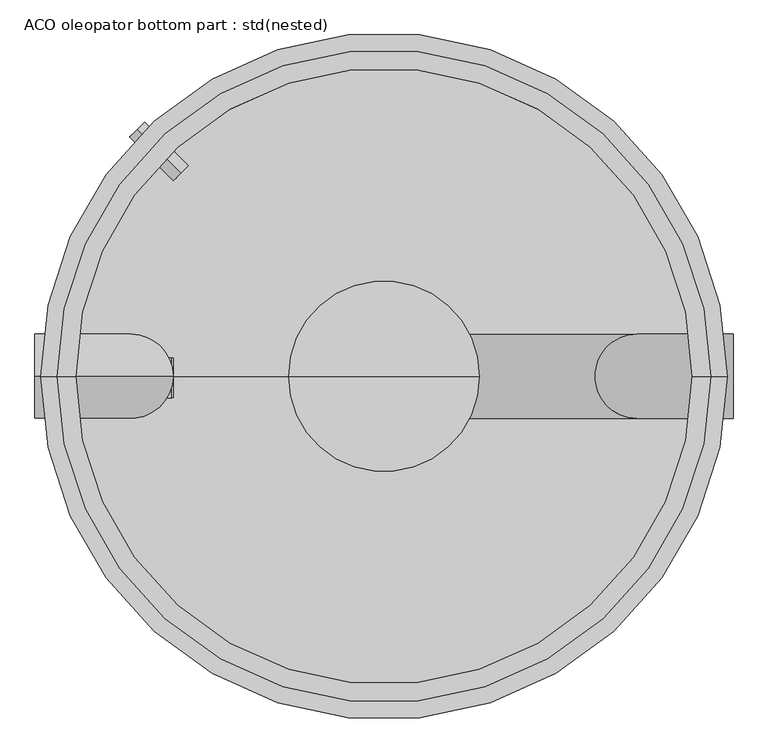
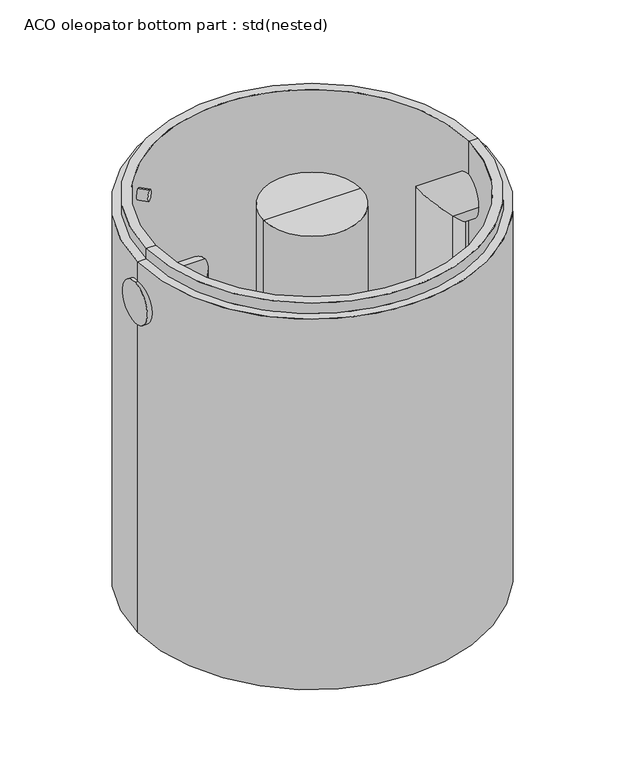
"""IFC4 building model written with IfcOpenShell, lengths in millimetres: unitary equipment geometry, ACO oleopator bottom part : std(nested)."""

import ifcopenshell
import ifcopenshell.guid

model = None  # the IFC model being written
_history = None  # IfcOwnerHistory: only IFC2X3 demands one
_inside = {}  # id of a spatial element -> (the spatial element, [elements in it])
_under = {}  # id of a project, library or spatial element -> (it, [spatial elements below it])
_declared = {}  # id of a project -> (the project, [libraries it declares])
_typed = {}  # id of a type object -> (the type object, [elements of that type])
_made_of = {}  # id of a material, layer set ... -> (it, [elements and type objects made of it])


def new_model(schema):
    """Start an empty IFC model of exactly this schema.

    Asked for "IFC4X3", IfcOpenShell would pick the latest addendum, in which some entities
    have other attributes; the version numbers below select the first issue.
    IFC2X3 requires an IfcOwnerHistory on every rooted entity: one is made here for all.
    """
    global model, _history
    if schema == "IFC4X3":
        model = ifcopenshell.file(schema_version=(4, 3, 0, 0))
    else:
        model = ifcopenshell.file(schema=schema)
    _inside.clear()
    _under.clear()
    _declared.clear()
    _typed.clear()
    _made_of.clear()
    _history = None
    if model.schema == "IFC2X3":
        org = make("IfcOrganization", Name="unknown")
        user = make(
            "IfcPersonAndOrganization",
            ThePerson=make("IfcPerson", FamilyName="unknown"),
            TheOrganization=org,
        )
        app = make(
            "IfcApplication",
            ApplicationDeveloper=org,
            Version="unknown",
            ApplicationFullName="unknown",
            ApplicationIdentifier="unknown",
        )
        _history = make(
            "IfcOwnerHistory",
            OwningUser=user,
            OwningApplication=app,
            ChangeAction="ADDED",
            CreationDate=0,
        )
    return model


def make(cls, **values):
    """One entity of the class cls with the attributes given. An attribute that is None is left unset."""
    return model.create_entity(
        cls, **{name: value for name, value in values.items() if value is not None}
    )


def rooted(cls, **values):
    """An entity with a GlobalId (a new one), such as an element, a storey or a relation."""
    return make(cls, GlobalId=ifcopenshell.guid.new(), OwnerHistory=_history, **values)


def si_unit(unit_type, name, prefix=None):
    """IfcSIUnit, for example si_unit("LENGTHUNIT", "METRE", prefix="MILLI")."""
    return make("IfcSIUnit", UnitType=unit_type, Prefix=prefix, Name=name)


def assignment(units):
    """IfcUnitAssignment: the units of a project."""
    return None if units is None else make("IfcUnitAssignment", Units=units)


def point(xyz):
    """IfcCartesianPoint."""
    return None if xyz is None else make("IfcCartesianPoint", Coordinates=xyz)


def direction(xyz):
    """IfcDirection."""
    return None if xyz is None else make("IfcDirection", DirectionRatios=xyz)


def frame(location, z_axis=None, x_axis=None):
    """IfcAxis2Placement3D, a coordinate frame: its origin and axes. An axis left out is left unset."""
    return make(
        "IfcAxis2Placement3D",
        Location=point(location),
        Axis=direction(z_axis),
        RefDirection=direction(x_axis),
    )


def frame_2d(location, x_axis=None):
    """IfcAxis2Placement2D, a coordinate frame in the plane: its origin and x axis."""
    return make(
        "IfcAxis2Placement2D", Location=point(location), RefDirection=direction(x_axis)
    )


def origin():
    """The frame at (0, 0, 0) with its axes left unset."""
    return frame((0.0, 0.0, 0.0))


def origin_with_axes():
    """The frame at (0, 0, 0) with the z axis (0, 0, 1) and the x axis (1, 0, 0) written out."""
    return frame((0.0, 0.0, 0.0), z_axis=(0.0, 0.0, 1.0), x_axis=(1.0, 0.0, 0.0))


def place(relative_to, where):
    """IfcLocalPlacement: puts the frame where relative to a parent placement (None: the world)."""
    return make(
        "IfcLocalPlacement", PlacementRelTo=relative_to, RelativePlacement=where
    )


def context(
    kind, dimensions, precision=None, world=None, true_north=None, identifier=None
):
    """IfcGeometricRepresentationContext, for example the 3D "Model" context."""
    return make(
        "IfcGeometricRepresentationContext",
        ContextIdentifier=identifier,
        ContextType=kind,
        CoordinateSpaceDimension=dimensions,
        Precision=precision,
        WorldCoordinateSystem=world,
        TrueNorth=true_north,
    )


def project(units=None, contexts=None):
    """IfcProject with its units and contexts."""
    return rooted(
        "IfcProject",
        Name="project",
        RepresentationContexts=contexts,
        UnitsInContext=assignment(units),
    )


def spatial(cls, under=None, at=None, **own):
    """A site, building, storey or space (cls), placed at a placement, below another one or the project."""
    s = rooted(cls, ObjectPlacement=at, **own)
    if under is not None:
        _under.setdefault(under.id(), (under, []))[1].append(s)
    return s


def polyline(points):
    """IfcPolyline through the points."""
    return make("IfcPolyline", Points=[point(p) for p in points])


def circle_curve(where, radius):
    """IfcCircle in the frame where."""
    return make("IfcCircle", Position=where, Radius=radius)


def ellipse_curve(where, semi_axis1, semi_axis2):
    """IfcEllipse in the frame where."""
    return make(
        "IfcEllipse", Position=where, SemiAxis1=semi_axis1, SemiAxis2=semi_axis2
    )


def trimmed(basis, trim1, trim2, sense, master):
    """IfcTrimmedCurve: the piece of a basis curve between two trims."""
    return make(
        "IfcTrimmedCurve",
        BasisCurve=basis,
        Trim1=trim1,
        Trim2=trim2,
        SenseAgreement=sense,
        MasterRepresentation=master,
    )


def segment(curve, same_sense, transition):
    """IfcCompositeCurveSegment."""
    return make(
        "IfcCompositeCurveSegment",
        Transition=transition,
        SameSense=same_sense,
        ParentCurve=curve,
    )


def composite_curve(segments, self_intersect=None):
    """IfcCompositeCurve: segments joined end to end."""
    return make("IfcCompositeCurve", Segments=segments, SelfIntersect=self_intersect)


def outline(outer, holes=None, kind="AREA"):
    """IfcArbitraryClosedProfileDef: a profile drawn as a closed curve; with holes, ...WithVoids."""
    if holes is None:
        return make("IfcArbitraryClosedProfileDef", ProfileType=kind, OuterCurve=outer)
    return make(
        "IfcArbitraryProfileDefWithVoids",
        ProfileType=kind,
        OuterCurve=outer,
        InnerCurves=holes,
    )


def extrude(swept, where, along, depth):
    """IfcExtrudedAreaSolid: the profile swept, set in the frame where, extruded along a direction by depth."""
    return make(
        "IfcExtrudedAreaSolid",
        SweptArea=swept,
        Position=where,
        ExtrudedDirection=direction(along),
        Depth=depth,
    )


def shape(context_of_items, identifier, shape_type, items):
    """IfcShapeRepresentation: the items that make up one representation, for example the "Body"."""
    return make(
        "IfcShapeRepresentation",
        ContextOfItems=context_of_items,
        RepresentationIdentifier=identifier,
        RepresentationType=shape_type,
        Items=items,
    )


def source(mapping_origin, context_of_items, identifier, shape_type, items):
    """IfcRepresentationMap: a shape defined once, which mapped items show again and again."""
    return make(
        "IfcRepresentationMap",
        MappingOrigin=mapping_origin,
        MappedRepresentation=shape(context_of_items, identifier, shape_type, items),
    )


def transform(
    local_origin,
    x_axis=None,
    y_axis=None,
    z_axis=None,
    scale=None,
    scale2=None,
    scale3=None,
    uniform=True,
):
    """IfcCartesianTransformationOperator3D, or its non-uniform kind. x_axis, y_axis, z_axis: its Axis1, 2, 3."""
    if uniform:
        return make(
            "IfcCartesianTransformationOperator3D",
            Axis1=direction(x_axis),
            Axis2=direction(y_axis),
            LocalOrigin=point(local_origin),
            Scale=scale,
            Axis3=direction(z_axis),
        )
    return make(
        "IfcCartesianTransformationOperator3DnonUniform",
        Axis1=direction(x_axis),
        Axis2=direction(y_axis),
        LocalOrigin=point(local_origin),
        Scale=scale,
        Axis3=direction(z_axis),
        Scale2=scale2,
        Scale3=scale3,
    )


def mapped(mapping_source, mapping_target):
    """IfcMappedItem: shows the shape of a source again, moved by a transform."""
    return make(
        "IfcMappedItem", MappingSource=mapping_source, MappingTarget=mapping_target
    )


def made_of(thing, what):
    """Note that an element or type object is made of a material, layer set ...; save() writes the relation."""
    if what is not None:
        _made_of.setdefault(what.id(), (what, []))[1].append(thing)
    return thing


def element(
    cls,
    number,
    at=None,
    inside=None,
    cuts=None,
    type_object=None,
    material=None,
    context=None,
    identifier="Body",
    shape_type=None,
    held_by="IfcProductDefinitionShape",
    body=None,
    shapes=None,
    **own,
):
    """One element of the class cls, such as IfcWall. Its Tag is "e" and its number.

    at: its placement. inside: the storey or other place that contains it. cuts: it is an
    opening in that element (IfcRelVoidsElement). A single representation is given by context,
    identifier, shape_type and body (its items); several are given by shapes. held_by: the class
    of the entity that holds the representations. save() writes the other relations.
    """
    e = rooted(cls, Tag="e%d" % number, ObjectPlacement=at, **own)
    if body is not None:
        shapes = [shape(context, identifier, shape_type, body)]
    if shapes is not None:
        e.Representation = make(held_by, Representations=shapes)
    if inside is not None:
        _inside.setdefault(inside.id(), (inside, []))[1].append(e)
    if cuts is not None:
        rooted(
            "IfcRelVoidsElement", RelatingBuildingElement=cuts, RelatedOpeningElement=e
        )
    if type_object is not None:
        _typed.setdefault(type_object.id(), (type_object, []))[1].append(e)
    return made_of(e, material)


def aggregate(whole, parts):
    """IfcRelAggregates: a whole, such as a stair, and the parts it consists of."""
    return rooted("IfcRelAggregates", RelatingObject=whole, RelatedObjects=parts)


def save(model, path):
    """Write the relations noted so far, then the file.

    IfcRelAggregates (storeys below a building ...), IfcRelContainedInSpatialStructure (elements
    in a storey), IfcRelDefinesByType, IfcRelAssociatesMaterial and IfcRelDeclares: one each for
    every whole, place, type object, material and project.
    """
    for whole, parts in _under.values():
        aggregate(whole, parts)
    for where, things in _inside.values():
        rooted(
            "IfcRelContainedInSpatialStructure",
            RelatedElements=things,
            RelatingStructure=where,
        )
    for kind, things in _typed.values():
        rooted("IfcRelDefinesByType", RelatedObjects=things, RelatingType=kind)
    for what, things in _made_of.values():
        rooted("IfcRelAssociatesMaterial", RelatedObjects=things, RelatingMaterial=what)
    for by, libraries in _declared.values():
        rooted("IfcRelDeclares", RelatingContext=by, RelatedDefinitions=libraries)
    model.write(path)


def plane_surface(at):
    """IfcPlane: the flat surface through the origin of the frame at, square to its z axis."""
    return make("IfcPlane", Position=at)


def cylinder_surface(at, radius):
    """IfcCylindricalSurface: all points at the distance radius from the z axis of the frame at."""
    return make("IfcCylindricalSurface", Position=at, Radius=radius)


def revolved_surface(curve, axis_point, axis_direction):
    """IfcSurfaceOfRevolution: the curve turned about the line through axis_point along axis_direction."""
    return make(
        "IfcSurfaceOfRevolution",
        SweptCurve=make("IfcArbitraryOpenProfileDef", ProfileType="CURVE", Curve=curve),
        AxisPosition=make("IfcAxis1Placement", Location=point(axis_point), Axis=direction(axis_direction)),
    )


def advanced_brep(points, edges, surfaces, faces):
    """IfcAdvancedBrep: a solid bounded by faces that lie on surfaces and meet in shared edges.

    An edge is (start, end): straight between two places in points (the first is 0);
    or (start, end, curve); or (start, end, curve, False) where it runs against its curve.
    A face is (place in surfaces, loops), or (place, loops, False) where it looks against
    its surface's normal. A loop lists edges by number (the first is 1), with a minus sign
    where the edge is run from its end to its start. The first loop is the outer one.
    """
    corners = [point(p) for p in points]
    vertices = [make("IfcVertexPoint", VertexGeometry=c) for c in corners]
    made = []
    for start, end, *more in edges:
        made.append(
            make(
                "IfcEdgeCurve",
                EdgeStart=vertices[start],
                EdgeEnd=vertices[end],
                EdgeGeometry=more[0] if more else make("IfcPolyline", Points=[corners[start], corners[end]]),
                SameSense=more[1] if len(more) > 1 else True,
            )
        )
    hull = []
    for where, loops, *sense in faces:
        bounds = []
        for j, loop in enumerate(loops):
            ring = [make("IfcOrientedEdge", EdgeElement=made[abs(k) - 1], Orientation=k > 0) for k in loop]
            bounds.append(
                make(
                    "IfcFaceOuterBound" if j == 0 else "IfcFaceBound",
                    Bound=make("IfcEdgeLoop", EdgeList=ring),
                    Orientation=True,
                )
            )
        hull.append(make("IfcAdvancedFace", Bounds=bounds, FaceSurface=surfaces[where], SameSense=sense[0] if sense else True))
    return make("IfcAdvancedBrep", Outer=make("IfcClosedShell", CfsFaces=hull))


def aco_oleopator_bottom_part_std_nested_07a6a1ec(model_context):
    return source(origin(), model_context, "Body", "SolidModel", [
        extrude(outline(polyline([(-1465.0, -752.5), (-1345.0, -752.5), (-1345.0, -757.5), (-1460.0, -757.5), (-1460.0, -832.5), (-1465.0, -832.5), (-1465.0, -752.5)])), frame((0.0, -76.3967765, 0.0), z_axis=(0.0, 1.0, 0.0), x_axis=(0.0, 0.0, 1.0)), (0.0, 0.0, 1.0), 141.6888195),
        extrude(outline(composite_curve([segment(trimmed(circle_curve(frame_2d((0.0, -37.5)), 37.5), [point((0.0, -75.0))], [point((0.0, 0.0))], False, "CARTESIAN"), True, "CONTINUOUS"), segment(trimmed(circle_curve(frame_2d((0.0, -37.5)), 37.5), [point((0.0, 0.0))], [point((0.0, -75.0))], False, "CARTESIAN"), True, "CONTINUOUS")], self_intersect=False)), frame((-724.7844507, 724.7844507, -165.4626011), z_axis=(-0.7071067811865481, 0.707106781186547, 0.0), x_axis=(-0.707106781186547, -0.7071067811865481, 0.0)), (0.0, 0.0, 1.0), 220.0),
        advanced_brep(
        [(0.0, 150.0, -1345.0), (0.0, -150.0, -1345.0), (0.0, 150.0, -1542.5), (0.0, -150.0, -1542.5), (902.5, 150.0, -1542.5), (902.5, -150.0, -1542.5), (902.5, 150.0, -395.0), (902.5, -150.0, -395.0), (1245.0, 150.0, -395.0), (1245.0, -150.0, -395.0)],
        [
            (0, 1, circle_curve(frame((0.0, 0.0, -1345.0), z_axis=(0.0, 0.0, 1.0), x_axis=(0.0, -1.0, 0.0)), 150.0)),
            (1, 0, circle_curve(frame((0.0, 0.0, -1345.0), z_axis=(0.0, 0.0, 1.0), x_axis=(0.0, -1.0, 0.0)), 150.0)),
            (0, 2),
            (2, 3, ellipse_curve(frame((0.0, 0.0, -1542.5), z_axis=(-0.7071067811865475, 0.0, 0.7071067811865475), x_axis=(0.7071067811865474, 0.0, 0.7071067811865476)), 212.1320344, 150.0)),
            (3, 1),
            (3, 2, ellipse_curve(frame((0.0, 0.0, -1542.5), z_axis=(-0.7071067811865475, 0.0, 0.7071067811865475), x_axis=(0.7071067811865474, 0.0, 0.7071067811865476)), 212.1320344, 150.0)),
            (2, 4),
            (4, 5, ellipse_curve(frame((902.5, 0.0, -1542.5), z_axis=(-0.7071067811865475, 0.0, -0.7071067811865475), x_axis=(-0.7071067811865476, 0.0, 0.7071067811865474)), 212.1320344, 150.0)),
            (5, 3),
            (5, 4, ellipse_curve(frame((902.5, 0.0, -1542.5), z_axis=(-0.7071067811865475, 0.0, -0.7071067811865475), x_axis=(-0.7071067811865476, 0.0, 0.7071067811865474)), 212.1320344, 150.0)),
            (4, 6),
            (6, 7, ellipse_curve(frame((902.5, 0.0, -395.0), z_axis=(-0.7071067811865475, 0.0, -0.7071067811865475), x_axis=(0.7071067811865474, 0.0, -0.7071067811865476)), 212.1320344, 150.0)),
            (7, 5),
            (7, 6, ellipse_curve(frame((902.5, 0.0, -395.0), z_axis=(-0.7071067811865475, 0.0, -0.7071067811865475), x_axis=(0.7071067811865474, 0.0, -0.7071067811865476)), 212.1320344, 150.0)),
            (8, 9, circle_curve(frame((1245.0, 0.0, -395.0), z_axis=(1.0, 0.0, 0.0), x_axis=(0.0, -1.0, 0.0)), 150.0)),
            (9, 8, circle_curve(frame((1245.0, 0.0, -395.0), z_axis=(1.0, 0.0, 0.0), x_axis=(0.0, -1.0, 0.0)), 150.0)),
            (6, 8),
            (9, 7),
        ],
        [
            plane_surface(frame((0.0, 0.0, -1345.0), z_axis=(0.0, 0.0, 1.0), x_axis=(0.0, -1.0, 0.0))),
            cylinder_surface(frame((0.0, 0.0, -1345.0), z_axis=(0.0, 0.0, 1.0), x_axis=(0.0, -1.0, 0.0)), 150.0),
            cylinder_surface(frame((0.0, 0.0, -1542.5), z_axis=(-1.0, 0.0, 0.0), x_axis=(0.0, -1.0, 0.0)), 150.0),
            cylinder_surface(frame((902.5, 0.0, -1542.5), z_axis=(0.0, 0.0, -1.0), x_axis=(0.0, -1.0, 0.0)), 150.0),
            plane_surface(frame((1245.0, 0.0, -395.0), z_axis=(1.0, 0.0, 0.0), x_axis=(0.0, -1.0, 0.0))),
            cylinder_surface(frame((902.5, 0.0, -395.0), z_axis=(-1.0, 0.0, 0.0), x_axis=(0.0, -1.0, 0.0)), 150.0),
        ],
        [
            (0, [[1, 2]]),
            (1, [[-1, 3, 4, 5]]),
            (1, [[-2, -5, 6, -3]]),
            (2, [[-4, 7, 8, 9]]),
            (2, [[-6, -9, 10, -7]]),
            (3, [[-8, 11, 12, 13]]),
            (3, [[-10, -13, 14, -11]]),
            (4, [[15, 16]]),
            (5, [[-12, 17, -16, 18]]),
            (5, [[-14, -18, -15, -17]]),
        ],
    ),
        advanced_brep(
        [(-1245.0, 0.0, -525.0), (-1245.0, 0.0, -225.0), (-1052.5, 0.0, -525.0), (-752.5, 0.0, -225.0), (-1052.5, 0.0, -1345.0), (-752.5, 0.0, -1345.0)],
        [
            (0, 1, circle_curve(frame((-1245.0, 0.0, -375.0), z_axis=(-1.0, 0.0, 0.0), x_axis=(0.0, 0.0, 1.0)), 150.0)),
            (1, 0, circle_curve(frame((-1245.0, 0.0, -375.0), z_axis=(-1.0, 0.0, 0.0), x_axis=(0.0, 0.0, 1.0)), 150.0)),
            (0, 2),
            (2, 3, ellipse_curve(frame((-902.5, 0.0, -375.0), z_axis=(-0.7071067811865475, 0.0, 0.7071067811865475), x_axis=(-0.7071067811865476, 0.0, -0.7071067811865474)), 212.1320344, 150.0)),
            (3, 1),
            (3, 2, ellipse_curve(frame((-902.5, 0.0, -375.0), z_axis=(-0.7071067811865475, 0.0, 0.7071067811865475), x_axis=(-0.7071067811865476, 0.0, -0.7071067811865474)), 212.1320344, 150.0)),
            (4, 5, circle_curve(frame((-902.5, 0.0, -1345.0), z_axis=(0.0, 0.0, -1.0), x_axis=(1.0, 0.0, 0.0)), 150.0)),
            (5, 4, circle_curve(frame((-902.5, 0.0, -1345.0), z_axis=(0.0, 0.0, -1.0), x_axis=(1.0, 0.0, 0.0)), 150.0)),
            (2, 4),
            (5, 3),
        ],
        [
            plane_surface(frame((-1245.0, 0.0, -375.0), z_axis=(-1.0, 0.0, 0.0), x_axis=(0.0, -1.0, 0.0))),
            cylinder_surface(frame((-1245.0, 0.0, -375.0), z_axis=(-1.0, 0.0, 0.0), x_axis=(0.0, 0.0, 1.0)), 150.0),
            plane_surface(frame((-902.5, 0.0, -1345.0), z_axis=(0.0, 0.0, -1.0), x_axis=(0.0, -1.0, 0.0))),
            cylinder_surface(frame((-902.5, 0.0, -375.0), z_axis=(0.0, 0.0, 1.0), x_axis=(1.0, 0.0, 0.0)), 150.0),
        ],
        [
            (0, [[1, 2]]),
            (1, [[-1, 3, 4, 5]]),
            (1, [[-2, -5, 6, -3]]),
            (2, [[7, 8]]),
            (3, [[-4, 9, -8, 10]]),
            (3, [[-6, -10, -7, -9]]),
        ],
    ),
        advanced_brep(
        [(0.0, 0.0, -82.8373104), (340.0, 0.0, -82.8373104), (-340.0, 0.0, -82.8373104), (-340.0, 0.0, -1345.0), (340.0, 0.0, -1345.0), (0.0, 0.0, -1345.0)],
        [
            (0, 1),
            (1, 2, circle_curve(frame((0.0, 0.0, -82.8373104), z_axis=(0.0, 0.0, 1.0), x_axis=(1.0, 0.0, 0.0)), 340.0)),
            (2, 0),
            (2, 1, circle_curve(frame((0.0, 0.0, -82.8373104), z_axis=(0.0, 0.0, 1.0), x_axis=(1.0, 0.0, 0.0)), 340.0)),
            (3, 4, circle_curve(frame((0.0, 0.0, -1345.0), z_axis=(0.0, 0.0, -1.0), x_axis=(1.0, 0.0, 0.0)), 340.0)),
            (4, 5),
            (5, 3),
            (4, 3, circle_curve(frame((0.0, 0.0, -1345.0), z_axis=(0.0, 0.0, -1.0), x_axis=(1.0, 0.0, 0.0)), 340.0)),
            (1, 4),
            (3, 2),
        ],
        [
            plane_surface(frame((0.0, 0.0, -82.8373104), z_axis=(0.0, 0.0, 1.0), x_axis=(1.0, 0.0, 0.0))),
            plane_surface(frame((0.0, 0.0, -1345.0), z_axis=(0.0, 0.0, -1.0), x_axis=(1.0, 0.0, 0.0))),
            cylinder_surface(frame((0.0, 0.0, -220.0), z_axis=(0.0, 0.0, 1.0), x_axis=(1.0, 0.0, 0.0)), 340.0),
        ],
        [
            (0, [[1, 2, 3]]),
            (0, [[-3, 4, -1]]),
            (1, [[5, 6, 7]]),
            (1, [[8, -7, -6]]),
            (2, [[-2, 9, -5, 10]]),
            (2, [[-4, -10, -8, -9]]),
        ],
    ),
        advanced_brep(
        [(0.0, 0.0, -2645.0), (1100.0, 0.0, -2645.0), (-1100.0, 0.0, -2645.0), (-1225.0, 0.0, -2830.0), (1225.0, 0.0, -2830.0), (0.0, 0.0, -2830.0), (-1225.0, 0.0, -80.0), (1225.0, 0.0, -80.0), (1100.0, 0.0, 0.0), (-1100.0, 0.0, 0.0), (-1165.0, 0.0, -80.0), (1165.0, 0.0, -80.0), (-1165.0, 0.0, 0.0), (1165.0, 0.0, 0.0)],
        [
            (0, 1),
            (1, 2, circle_curve(frame((0.0, 0.0, -2645.0), z_axis=(0.0, 0.0, 1.0), x_axis=(1.0, 0.0, 0.0)), 1100.0)),
            (2, 0),
            (2, 1, circle_curve(frame((0.0, 0.0, -2645.0), z_axis=(0.0, 0.0, 1.0), x_axis=(1.0, 0.0, 0.0)), 1100.0)),
            (3, 4, circle_curve(frame((0.0, 0.0, -2830.0), z_axis=(0.0, 0.0, -1.0), x_axis=(1.0, 0.0, 0.0)), 1225.0)),
            (4, 5),
            (5, 3),
            (4, 3, circle_curve(frame((0.0, 0.0, -2830.0), z_axis=(0.0, 0.0, -1.0), x_axis=(1.0, 0.0, 0.0)), 1225.0)),
            (6, 7, circle_curve(frame((0.0, 0.0, -80.0), z_axis=(0.0, 0.0, -1.0), x_axis=(1.0, 0.0, 0.0)), 1225.0)),
            (7, 4),
            (3, 6),
            (7, 6, circle_curve(frame((0.0, 0.0, -80.0), z_axis=(0.0, 0.0, -1.0), x_axis=(1.0, 0.0, 0.0)), 1225.0)),
            (1, 8),
            (8, 9, circle_curve(origin_with_axes(), 1100.0)),
            (9, 2),
            (9, 8, circle_curve(origin_with_axes(), 1100.0)),
            (10, 11, circle_curve(frame((0.0, 0.0, -80.0), z_axis=(0.0, 0.0, -1.0), x_axis=(1.0, 0.0, 0.0)), 1165.0)),
            (11, 7),
            (6, 10),
            (11, 10, circle_curve(frame((0.0, 0.0, -80.0), z_axis=(0.0, 0.0, -1.0), x_axis=(1.0, 0.0, 0.0)), 1165.0)),
            (12, 13, circle_curve(frame((0.0, 0.0, 0.0), z_axis=(0.0, 0.0, -1.0), x_axis=(1.0, 0.0, 0.0)), 1165.0)),
            (13, 11),
            (10, 12),
            (13, 12, circle_curve(frame((0.0, 0.0, 0.0), z_axis=(0.0, 0.0, -1.0), x_axis=(1.0, 0.0, 0.0)), 1165.0)),
            (8, 13),
            (12, 9),
        ],
        [
            plane_surface(frame((0.0, 0.0, -2645.0), z_axis=(0.0, 0.0, 1.0), x_axis=(1.0, 0.0, 0.0))),
            plane_surface(frame((0.0, 0.0, -2830.0), z_axis=(0.0, 0.0, -1.0), x_axis=(1.0, 0.0, 0.0))),
            cylinder_surface(origin_with_axes(), 1225.0),
            revolved_surface(polyline([(1100.0, 0.0, 0.0), (1100.0, 0.0, -2645.0)]), (0.0, 0.0, 0.0), (0.0, 0.0, 1.0)),
            plane_surface(frame((0.0, 0.0, -80.0), z_axis=(0.0, 0.0, 1.0), x_axis=(1.0, 0.0, 0.0))),
            cylinder_surface(origin_with_axes(), 1165.0),
            plane_surface(origin_with_axes()),
        ],
        [
            (0, [[1, 2, 3]]),
            (0, [[-3, 4, -1]]),
            (1, [[5, 6, 7]]),
            (1, [[8, -7, -6]]),
            (2, [[9, 10, -5, 11]]),
            (2, [[12, -11, -8, -10]]),
            (3, [[-2, 13, 14, 15]]),
            (3, [[-4, -15, 16, -13]]),
            (4, [[17, 18, -9, 19]]),
            (4, [[20, -19, -12, -18]]),
            (5, [[21, 22, -17, 23]]),
            (5, [[24, -23, -20, -22]]),
            (6, [[-14, 25, -21, 26]]),
            (6, [[-16, -26, -24, -25]]),
        ],
    ),
    ])


if __name__ == "__main__":
    model = new_model("IFC4")
    model_context = context("Model", 3, world=origin())
    ifc_project = project(units=[si_unit("LENGTHUNIT", "METRE", prefix="MILLI")], contexts=[model_context])
    site = spatial("IfcSite", under=ifc_project)
    building = spatial("IfcBuilding", under=site)
    placement = place(None, origin())
    aco_oleopator_bottom_part_std_nested_shape = aco_oleopator_bottom_part_std_nested_07a6a1ec(model_context)
    element("IfcUnitaryEquipment", 1, ObjectType="ACO oleopator bottom part : std(nested)", at=placement, inside=building, context=model_context, shape_type="MappedRepresentation", body=[
        mapped(aco_oleopator_bottom_part_std_nested_shape, transform((0.0, 0.0, 0.0), x_axis=(1.0, 0.0, 0.0), y_axis=(0.0, 1.0, 0.0), z_axis=(0.0, 0.0, 1.0))),
    ])
    save(model, "model.ifc")
